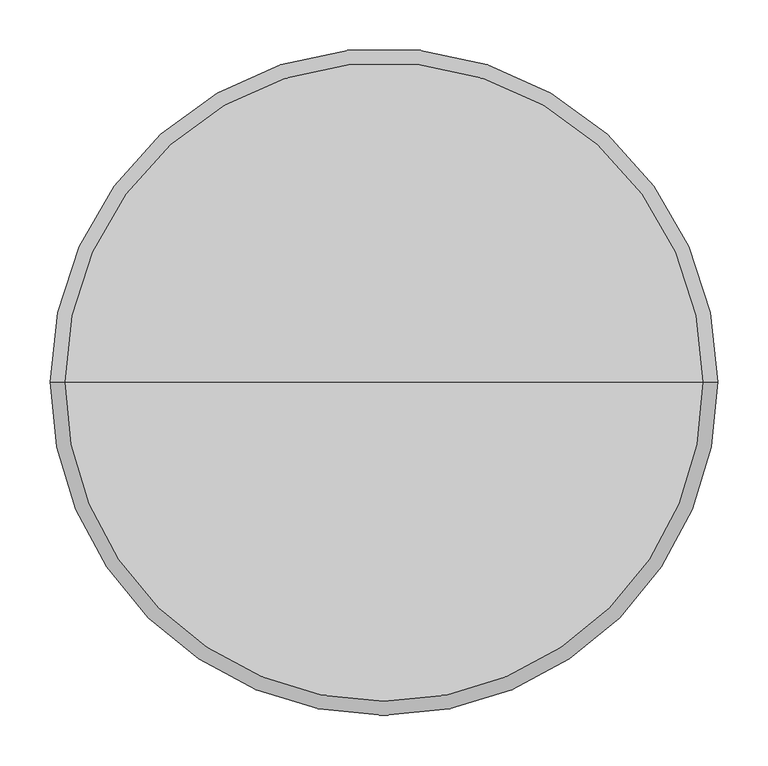
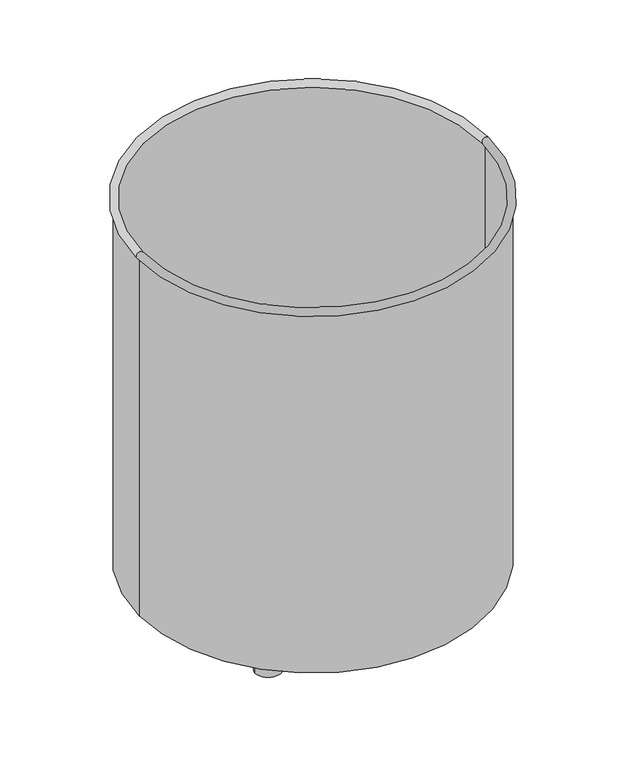
"""IFC4 building model written with IfcOpenShell, lengths in millimetres: furniture geometry."""

from ifc_helpers import new_model, si_unit, point, frame, frame_2d, origin, origin_with_axes, place, context, project, spatial, polyline, circle_curve, ellipse_curve, trimmed, segment, composite_curve, outline, extrude, source, transform, mapped, element, save
from ifc_brep_helpers import plane_surface, cylinder_surface, revolved_surface, advanced_brep


def furniture_7ad814ff(model_context):
    return source(origin(), model_context, "Body", "SolidModel", [
        extrude(outline(composite_curve([segment(trimmed(circle_curve(frame_2d((-197.7139973, 197.7101913)), 24.0), [point((-221.7139973, 197.7101913))], [point((-173.7139973, 197.7101913))], False, "CARTESIAN"), True, "CONTINUOUS"), segment(trimmed(circle_curve(frame_2d((-197.7139973, 197.7101913)), 24.0), [point((-173.7139973, 197.7101913))], [point((-221.7139973, 197.7101913))], False, "CARTESIAN"), True, "CONTINUOUS")], self_intersect=False)), origin_with_axes(), (0.0, 0.0, 1.0), 30.0000195),
        extrude(outline(composite_curve([segment(trimmed(circle_curve(frame_2d((-197.7139973, -197.7101913)), 24.0), [point((-221.7139973, -197.7101913))], [point((-173.7139973, -197.7101913))], False, "CARTESIAN"), True, "CONTINUOUS"), segment(trimmed(circle_curve(frame_2d((-197.7139973, -197.7101913)), 24.0), [point((-173.7139973, -197.7101913))], [point((-221.7139973, -197.7101913))], False, "CARTESIAN"), True, "CONTINUOUS")], self_intersect=False)), origin_with_axes(), (0.0, 0.0, 1.0), 30.0000195),
        extrude(outline(composite_curve([segment(trimmed(circle_curve(frame_2d((197.7139973, 197.7101913)), 24.0), [point((221.7139973, 197.7101913))], [point((173.7139973, 197.7101913))], False, "CARTESIAN"), True, "CONTINUOUS"), segment(trimmed(circle_curve(frame_2d((197.7139973, 197.7101913)), 24.0), [point((173.7139973, 197.7101913))], [point((221.7139973, 197.7101913))], False, "CARTESIAN"), True, "CONTINUOUS")], self_intersect=False)), origin_with_axes(), (0.0, 0.0, 1.0), 30.0000195),
        extrude(outline(composite_curve([segment(trimmed(circle_curve(frame_2d((197.7139973, -197.7101913)), 24.0), [point((221.7139973, -197.7101913))], [point((173.7139973, -197.7101913))], False, "CARTESIAN"), True, "CONTINUOUS"), segment(trimmed(circle_curve(frame_2d((197.7139973, -197.7101913)), 24.0), [point((173.7139973, -197.7101913))], [point((221.7139973, -197.7101913))], False, "CARTESIAN"), True, "CONTINUOUS")], self_intersect=False)), origin_with_axes(), (0.0, 0.0, 1.0), 30.0000195),
        advanced_brep(
        [(-322.0105152, 0.0, 80.0000195), (322.0105152, 0.0, 80.0000195), (322.0105152, 0.0, 736.1569358), (-322.0105152, 0.0, 736.1569358), (0.0, 0.0, 80.0000195), (-325.00085, 0.0, 30.0000195), (325.00085, 0.0, 30.0000195), (0.0, 0.0, 30.0000195), (-325.00085, 0.0, 736.1562695), (325.00085, 0.0, 736.1562695)],
        [
            (0, 1, circle_curve(frame((0.0, 0.0, 80.0000195), z_axis=(0.0, 0.0, -1.0), x_axis=(1.0, 0.0, 0.0)), 322.0105152)),
            (1, 2),
            (2, 3, circle_curve(frame((0.0, 0.0, 736.1569358), z_axis=(0.0, 0.0, 1.0), x_axis=(1.0, 0.0, 0.0)), 322.0105152)),
            (3, 0),
            (1, 0, circle_curve(frame((0.0, 0.0, 80.0000195), z_axis=(0.0, 0.0, -1.0), x_axis=(1.0, 0.0, 0.0)), 322.0105152)),
            (3, 2, circle_curve(frame((0.0, 0.0, 736.1569358), z_axis=(0.0, 0.0, 1.0), x_axis=(1.0, 0.0, 0.0)), 322.0105152)),
            (4, 1),
            (0, 4),
            (5, 6, circle_curve(frame((0.0, 0.0, 30.0000195), z_axis=(0.0, 0.0, -1.0), x_axis=(1.0, 0.0, 0.0)), 325.00085)),
            (6, 7),
            (7, 5),
            (6, 5, circle_curve(frame((0.0, 0.0, 30.0000195), z_axis=(0.0, 0.0, -1.0), x_axis=(1.0, 0.0, 0.0)), 325.00085)),
            (8, 9, circle_curve(frame((0.0, 0.0, 736.1562695), z_axis=(0.0, 0.0, -1.0), x_axis=(1.0, 0.0, 0.0)), 325.00085)),
            (9, 6),
            (5, 8),
            (9, 8, circle_curve(frame((0.0, 0.0, 736.1562695), z_axis=(0.0, 0.0, -1.0), x_axis=(1.0, 0.0, 0.0)), 325.00085)),
            (2, 9, circle_curve(frame((323.5072064, 0.0, 742.995058), z_axis=(0.0, 1.0, 0.0), x_axis=(1.0, 0.0, 0.0)), 7.0)),
            (8, 3, circle_curve(frame((-323.5072064, 0.0, 742.995058), z_axis=(0.0, 1.0, 0.0), x_axis=(-1.0, 0.0, 0.0)), 7.0)),
        ],
        [
            revolved_surface(polyline([(322.0105152, 0.0, 736.1569358000002), (322.0105152, 0.0, 80.00001950000001)]), (0.0, 0.0, 1997.4144888), (0.0, 0.0, 1.0)),
            plane_surface(frame((0.0, 0.0, 80.0000195), z_axis=(0.0, 0.0, 1.0), x_axis=(1.0, 0.0, 0.0))),
            plane_surface(frame((0.0, 0.0, 30.0000195), z_axis=(0.0, 0.0, -1.0), x_axis=(1.0, 0.0, 0.0))),
            cylinder_surface(frame((0.0, 0.0, 1997.4144888), z_axis=(0.0, 0.0, 1.0), x_axis=(1.0, 0.0, 0.0)), 325.00085),
            revolved_surface(trimmed(ellipse_curve(frame((323.5072064, 0.0, 742.995058), z_axis=(0.0, -1.0, 0.0), x_axis=(1.0, 0.0, 0.0)), 7.0, 7.0), [point((325.00085, 0.0, 736.1562695))], [point((322.0105152, 0.0, 736.1569358))], True, "CARTESIAN"), (0.0, 0.0, 1997.4144888), (0.0, 0.0, 1.0)),
        ],
        [
            (0, [[1, 2, 3, 4]]),
            (0, [[5, -4, 6, -2]]),
            (1, [[7, -1, 8]]),
            (1, [[-8, -5, -7]]),
            (2, [[9, 10, 11]]),
            (2, [[12, -11, -10]]),
            (3, [[13, 14, -9, 15]]),
            (3, [[16, -15, -12, -14]]),
            (4, [[-3, 17, -13, 18]]),
            (4, [[-6, -18, -16, -17]]),
        ],
    ),
    ])


if __name__ == "__main__":
    model = new_model("IFC4")
    model_context = context("Model", 3, world=origin())
    ifc_project = project(units=[si_unit("LENGTHUNIT", "METRE", prefix="MILLI")], contexts=[model_context])
    site = spatial("IfcSite", under=ifc_project)
    building = spatial("IfcBuilding", under=site)
    placement = place(None, origin())
    furniture_shape = furniture_7ad814ff(model_context)
    element("IfcFurniture", 1, at=placement, inside=building, context=model_context, shape_type="MappedRepresentation", body=[
        mapped(furniture_shape, transform((0.0, 0.0, 0.0), x_axis=(1.0, 0.0, 0.0), y_axis=(0.0, 1.0, 0.0), z_axis=(0.0, 0.0, 1.0))),
    ])
    save(model, "model.ifc")
